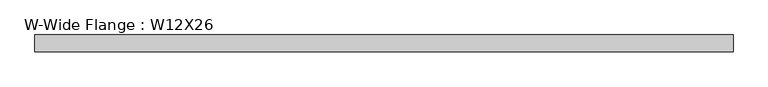
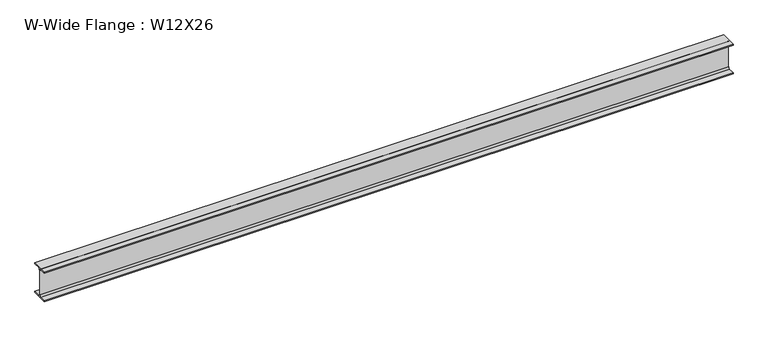
"""IFC4 building model written with IfcOpenShell, lengths in millimetres: beam geometry, W-Wide Flange : W12X26."""

from ifc_helpers import new_model, si_unit, point, frame, frame_2d, origin, place, context, project, spatial, polyline, circle_curve, trimmed, segment, composite_curve, outline, extrude, source, transform, mapped, element, save


def w_wide_flange_w12x26_e61c2051(model_context):
    return source(origin(), model_context, "Body", "SweptSolid", [
        extrude(outline(composite_curve([segment(polyline([(82.4011719, -145.5539063), (82.4011719, -155.178125), (-82.4011719, -155.178125), (-82.4011719, -145.5539063), (-20.2902344, -145.5539063)]), True, "CONTINUOUS"), segment(trimmed(circle_curve(frame_2d((-20.2902344, -128.190625)), 17.3632812), [point((-20.2902344, -145.5539063))], [point((-2.9269531, -128.190625))], True, "CARTESIAN"), True, "CONTINUOUS"), segment(polyline([(-2.9269531, -128.190625), (-2.9269531, 128.190625)]), True, "CONTINUOUS"), segment(trimmed(circle_curve(frame_2d((-20.2902344, 128.190625)), 17.3632812), [point((-2.9269531, 128.190625))], [point((-20.2902344, 145.5539062))], True, "CARTESIAN"), True, "CONTINUOUS"), segment(polyline([(-20.2902344, 145.5539062), (-82.4011719, 145.5539062), (-82.4011719, 155.178125), (82.4011719, 155.178125), (82.4011719, 145.5539062), (20.2902344, 145.5539062)]), True, "CONTINUOUS"), segment(trimmed(circle_curve(frame_2d((20.2902344, 128.190625)), 17.3632812), [point((20.2902344, 145.5539062))], [point((2.9269531, 128.190625))], True, "CARTESIAN"), True, "CONTINUOUS"), segment(polyline([(2.9269531, 128.190625), (2.9269531, -128.190625)]), True, "CONTINUOUS"), segment(trimmed(circle_curve(frame_2d((20.2902344, -128.190625)), 17.3632812), [point((2.9269531, -128.190625))], [point((20.2902344, -145.5539063))], True, "CARTESIAN"), True, "CONTINUOUS"), segment(polyline([(20.2902344, -145.5539063), (82.4011719, -145.5539063)]), True, "CONTINUOUS")], self_intersect=False)), frame((-3455.3425781, 0.0, 0.0), z_axis=(1.0, 0.0, 0.0), x_axis=(0.0, 1.0, 0.0)), (0.0, 0.0, 1.0), 6875.7601562),
    ])


if __name__ == "__main__":
    model = new_model("IFC4")
    model_context = context("Model", 3, world=origin())
    ifc_project = project(units=[si_unit("LENGTHUNIT", "METRE", prefix="MILLI")], contexts=[model_context])
    site = spatial("IfcSite", under=ifc_project)
    building = spatial("IfcBuilding", under=site)
    placement = place(None, origin())
    w_wide_flange_w12x26_shape = w_wide_flange_w12x26_e61c2051(model_context)
    element("IfcBeam", 1, ObjectType="W-Wide Flange : W12X26", at=placement, inside=building, context=model_context, shape_type="MappedRepresentation", body=[
        mapped(w_wide_flange_w12x26_shape, transform((0.0, 0.0, 0.0), x_axis=(1.0, 0.0, 0.0), y_axis=(0.0, 1.0, 0.0), z_axis=(0.0, 0.0, 1.0))),
    ])
    save(model, "model.ifc")
